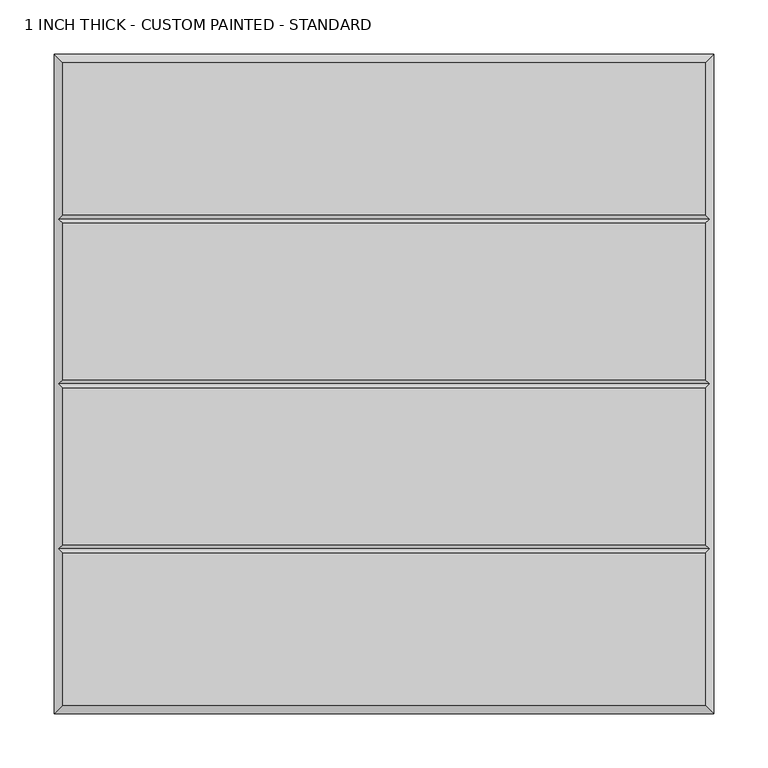
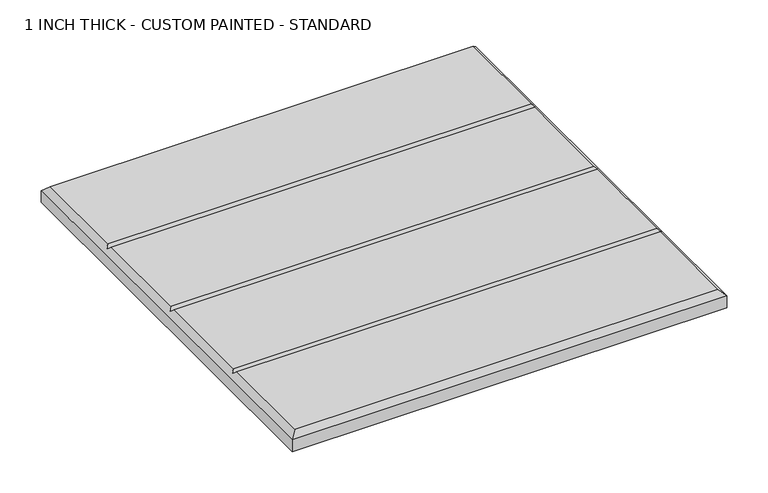
"""IFC4 building model written with IfcOpenShell, lengths in millimetres: proxy geometry, 1 INCH THICK - CUSTOM PAINTED - STANDARD."""

from ifc_helpers import new_model, si_unit, origin, place, context, project, spatial, faceted_brep, source, transform, mapped, element, save


def proxy_1_inch_thick_custom_painted_standard_44f379aa(model_context):
    return source(origin(), model_context, "Body", "Brep", [
        faceted_brep([(296.799, 296.799, 25.4), (-296.799, 296.799, 25.4), (-296.799, 156.4005254, 25.4), (296.799, 156.4005254, 25.4), (-296.799, -296.799, 25.4), (296.799, -296.799, 25.4), (296.799, -156.4004746, 25.4), (-296.799, -156.4004746, 25.4), (296.799, 148.3995254, 25.4), (-296.799, 148.3995254, 25.4), (-296.799, 4.0005, 25.4), (296.799, 4.0005, 25.4), (296.799, -4.0005, 25.4), (-296.799, -4.0005, 25.4), (-296.799, -148.3994746, 25.4), (296.799, -148.3994746, 25.4), (-304.8, 304.8, 0.0), (304.8, 304.8, 0.0), (304.8, -304.8, 0.0), (-304.8, -304.8, 0.0), (-304.8, -304.8, 17.399), (-304.8, 304.8, 17.399), (304.8, -304.8, 17.399), (304.8, 304.8, 17.399), (-300.7995, -152.3999746, 21.3995), (-300.7995, 0.0, 21.3995), (-300.7995, 152.4000254, 21.3995), (300.7995, 152.4000254, 21.3995), (300.7995, 0.0, 21.3995), (300.7995, -152.3999746, 21.3995)], [[[0, 1, 2, 3]], [[4, 5, 6, 7]], [[8, 9, 10, 11]], [[12, 13, 14, 15]], [[16, 17, 18, 19]], [[16, 19, 20, 21]], [[19, 18, 22, 20]], [[18, 17, 23, 22]], [[17, 16, 21, 23]], [[21, 1, 0, 23]], [[1, 21, 20, 4, 7, 24, 14, 13, 25, 10, 9, 26, 2]], [[4, 20, 22, 5]], [[23, 0, 3, 27, 8, 11, 28, 12, 15, 29, 6, 5, 22]], [[27, 26, 9, 8]], [[26, 27, 3, 2]], [[28, 25, 13, 12]], [[25, 28, 11, 10]], [[29, 24, 7, 6]], [[24, 29, 15, 14]]]),
    ])


if __name__ == "__main__":
    model = new_model("IFC4")
    model_context = context("Model", 3, world=origin())
    ifc_project = project(units=[si_unit("LENGTHUNIT", "METRE", prefix="MILLI")], contexts=[model_context])
    site = spatial("IfcSite", under=ifc_project)
    building = spatial("IfcBuilding", under=site)
    placement = place(None, origin())
    proxy_1_inch_thick_custom_painted_standard_shape = proxy_1_inch_thick_custom_painted_standard_44f379aa(model_context)
    element("IfcBuildingElementProxy", 1, Name="1 INCH THICK - CUSTOM PAINTED - STANDARD", ObjectType="1 INCH THICK - CUSTOM PAINTED - STANDARD", at=placement, inside=building, context=model_context, shape_type="MappedRepresentation", body=[
        mapped(proxy_1_inch_thick_custom_painted_standard_shape, transform((0.0, 0.0, 0.0), x_axis=(1.0, 0.0, 0.0), y_axis=(0.0, 1.0, 0.0), z_axis=(0.0, 0.0, 1.0))),
    ])
    save(model, "model.ifc")
